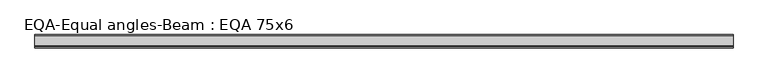
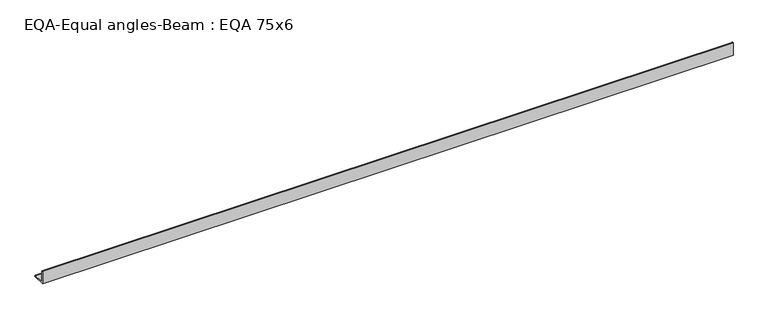
"""IFC4 building model written with IfcOpenShell, lengths in millimetres: beam geometry, EQA-Equal angles-Beam : EQA 75x6."""

import ifcopenshell
import ifcopenshell.guid

model = None  # the IFC model being written
_history = None  # IfcOwnerHistory: only IFC2X3 demands one
_inside = {}  # id of a spatial element -> (the spatial element, [elements in it])
_under = {}  # id of a project, library or spatial element -> (it, [spatial elements below it])
_declared = {}  # id of a project -> (the project, [libraries it declares])
_typed = {}  # id of a type object -> (the type object, [elements of that type])
_made_of = {}  # id of a material, layer set ... -> (it, [elements and type objects made of it])


def new_model(schema):
    """Start an empty IFC model of exactly this schema.

    Asked for "IFC4X3", IfcOpenShell would pick the latest addendum, in which some entities
    have other attributes; the version numbers below select the first issue.
    IFC2X3 requires an IfcOwnerHistory on every rooted entity: one is made here for all.
    """
    global model, _history
    if schema == "IFC4X3":
        model = ifcopenshell.file(schema_version=(4, 3, 0, 0))
    else:
        model = ifcopenshell.file(schema=schema)
    _inside.clear()
    _under.clear()
    _declared.clear()
    _typed.clear()
    _made_of.clear()
    _history = None
    if model.schema == "IFC2X3":
        org = make("IfcOrganization", Name="unknown")
        user = make(
            "IfcPersonAndOrganization",
            ThePerson=make("IfcPerson", FamilyName="unknown"),
            TheOrganization=org,
        )
        app = make(
            "IfcApplication",
            ApplicationDeveloper=org,
            Version="unknown",
            ApplicationFullName="unknown",
            ApplicationIdentifier="unknown",
        )
        _history = make(
            "IfcOwnerHistory",
            OwningUser=user,
            OwningApplication=app,
            ChangeAction="ADDED",
            CreationDate=0,
        )
    return model


def make(cls, **values):
    """One entity of the class cls with the attributes given. An attribute that is None is left unset."""
    return model.create_entity(
        cls, **{name: value for name, value in values.items() if value is not None}
    )


def rooted(cls, **values):
    """An entity with a GlobalId (a new one), such as an element, a storey or a relation."""
    return make(cls, GlobalId=ifcopenshell.guid.new(), OwnerHistory=_history, **values)


def si_unit(unit_type, name, prefix=None):
    """IfcSIUnit, for example si_unit("LENGTHUNIT", "METRE", prefix="MILLI")."""
    return make("IfcSIUnit", UnitType=unit_type, Prefix=prefix, Name=name)


def assignment(units):
    """IfcUnitAssignment: the units of a project."""
    return None if units is None else make("IfcUnitAssignment", Units=units)


def point(xyz):
    """IfcCartesianPoint."""
    return None if xyz is None else make("IfcCartesianPoint", Coordinates=xyz)


def direction(xyz):
    """IfcDirection."""
    return None if xyz is None else make("IfcDirection", DirectionRatios=xyz)


def frame(location, z_axis=None, x_axis=None):
    """IfcAxis2Placement3D, a coordinate frame: its origin and axes. An axis left out is left unset."""
    return make(
        "IfcAxis2Placement3D",
        Location=point(location),
        Axis=direction(z_axis),
        RefDirection=direction(x_axis),
    )


def frame_2d(location, x_axis=None):
    """IfcAxis2Placement2D, a coordinate frame in the plane: its origin and x axis."""
    return make(
        "IfcAxis2Placement2D", Location=point(location), RefDirection=direction(x_axis)
    )


def origin():
    """The frame at (0, 0, 0) with its axes left unset."""
    return frame((0.0, 0.0, 0.0))


def place(relative_to, where):
    """IfcLocalPlacement: puts the frame where relative to a parent placement (None: the world)."""
    return make(
        "IfcLocalPlacement", PlacementRelTo=relative_to, RelativePlacement=where
    )


def context(
    kind, dimensions, precision=None, world=None, true_north=None, identifier=None
):
    """IfcGeometricRepresentationContext, for example the 3D "Model" context."""
    return make(
        "IfcGeometricRepresentationContext",
        ContextIdentifier=identifier,
        ContextType=kind,
        CoordinateSpaceDimension=dimensions,
        Precision=precision,
        WorldCoordinateSystem=world,
        TrueNorth=true_north,
    )


def project(units=None, contexts=None):
    """IfcProject with its units and contexts."""
    return rooted(
        "IfcProject",
        Name="project",
        RepresentationContexts=contexts,
        UnitsInContext=assignment(units),
    )


def spatial(cls, under=None, at=None, **own):
    """A site, building, storey or space (cls), placed at a placement, below another one or the project."""
    s = rooted(cls, ObjectPlacement=at, **own)
    if under is not None:
        _under.setdefault(under.id(), (under, []))[1].append(s)
    return s


def polyline(points):
    """IfcPolyline through the points."""
    return make("IfcPolyline", Points=[point(p) for p in points])


def circle_curve(where, radius):
    """IfcCircle in the frame where."""
    return make("IfcCircle", Position=where, Radius=radius)


def trimmed(basis, trim1, trim2, sense, master):
    """IfcTrimmedCurve: the piece of a basis curve between two trims."""
    return make(
        "IfcTrimmedCurve",
        BasisCurve=basis,
        Trim1=trim1,
        Trim2=trim2,
        SenseAgreement=sense,
        MasterRepresentation=master,
    )


def segment(curve, same_sense, transition):
    """IfcCompositeCurveSegment."""
    return make(
        "IfcCompositeCurveSegment",
        Transition=transition,
        SameSense=same_sense,
        ParentCurve=curve,
    )


def composite_curve(segments, self_intersect=None):
    """IfcCompositeCurve: segments joined end to end."""
    return make("IfcCompositeCurve", Segments=segments, SelfIntersect=self_intersect)


def outline(outer, holes=None, kind="AREA"):
    """IfcArbitraryClosedProfileDef: a profile drawn as a closed curve; with holes, ...WithVoids."""
    if holes is None:
        return make("IfcArbitraryClosedProfileDef", ProfileType=kind, OuterCurve=outer)
    return make(
        "IfcArbitraryProfileDefWithVoids",
        ProfileType=kind,
        OuterCurve=outer,
        InnerCurves=holes,
    )


def extrude(swept, where, along, depth):
    """IfcExtrudedAreaSolid: the profile swept, set in the frame where, extruded along a direction by depth."""
    return make(
        "IfcExtrudedAreaSolid",
        SweptArea=swept,
        Position=where,
        ExtrudedDirection=direction(along),
        Depth=depth,
    )


def shape(context_of_items, identifier, shape_type, items):
    """IfcShapeRepresentation: the items that make up one representation, for example the "Body"."""
    return make(
        "IfcShapeRepresentation",
        ContextOfItems=context_of_items,
        RepresentationIdentifier=identifier,
        RepresentationType=shape_type,
        Items=items,
    )


def source(mapping_origin, context_of_items, identifier, shape_type, items):
    """IfcRepresentationMap: a shape defined once, which mapped items show again and again."""
    return make(
        "IfcRepresentationMap",
        MappingOrigin=mapping_origin,
        MappedRepresentation=shape(context_of_items, identifier, shape_type, items),
    )


def transform(
    local_origin,
    x_axis=None,
    y_axis=None,
    z_axis=None,
    scale=None,
    scale2=None,
    scale3=None,
    uniform=True,
):
    """IfcCartesianTransformationOperator3D, or its non-uniform kind. x_axis, y_axis, z_axis: its Axis1, 2, 3."""
    if uniform:
        return make(
            "IfcCartesianTransformationOperator3D",
            Axis1=direction(x_axis),
            Axis2=direction(y_axis),
            LocalOrigin=point(local_origin),
            Scale=scale,
            Axis3=direction(z_axis),
        )
    return make(
        "IfcCartesianTransformationOperator3DnonUniform",
        Axis1=direction(x_axis),
        Axis2=direction(y_axis),
        LocalOrigin=point(local_origin),
        Scale=scale,
        Axis3=direction(z_axis),
        Scale2=scale2,
        Scale3=scale3,
    )


def mapped(mapping_source, mapping_target):
    """IfcMappedItem: shows the shape of a source again, moved by a transform."""
    return make(
        "IfcMappedItem", MappingSource=mapping_source, MappingTarget=mapping_target
    )


def made_of(thing, what):
    """Note that an element or type object is made of a material, layer set ...; save() writes the relation."""
    if what is not None:
        _made_of.setdefault(what.id(), (what, []))[1].append(thing)
    return thing


def element(
    cls,
    number,
    at=None,
    inside=None,
    cuts=None,
    type_object=None,
    material=None,
    context=None,
    identifier="Body",
    shape_type=None,
    held_by="IfcProductDefinitionShape",
    body=None,
    shapes=None,
    **own,
):
    """One element of the class cls, such as IfcWall. Its Tag is "e" and its number.

    at: its placement. inside: the storey or other place that contains it. cuts: it is an
    opening in that element (IfcRelVoidsElement). A single representation is given by context,
    identifier, shape_type and body (its items); several are given by shapes. held_by: the class
    of the entity that holds the representations. save() writes the other relations.
    """
    e = rooted(cls, Tag="e%d" % number, ObjectPlacement=at, **own)
    if body is not None:
        shapes = [shape(context, identifier, shape_type, body)]
    if shapes is not None:
        e.Representation = make(held_by, Representations=shapes)
    if inside is not None:
        _inside.setdefault(inside.id(), (inside, []))[1].append(e)
    if cuts is not None:
        rooted(
            "IfcRelVoidsElement", RelatingBuildingElement=cuts, RelatedOpeningElement=e
        )
    if type_object is not None:
        _typed.setdefault(type_object.id(), (type_object, []))[1].append(e)
    return made_of(e, material)


def aggregate(whole, parts):
    """IfcRelAggregates: a whole, such as a stair, and the parts it consists of."""
    return rooted("IfcRelAggregates", RelatingObject=whole, RelatedObjects=parts)


def save(model, path):
    """Write the relations noted so far, then the file.

    IfcRelAggregates (storeys below a building ...), IfcRelContainedInSpatialStructure (elements
    in a storey), IfcRelDefinesByType, IfcRelAssociatesMaterial and IfcRelDeclares: one each for
    every whole, place, type object, material and project.
    """
    for whole, parts in _under.values():
        aggregate(whole, parts)
    for where, things in _inside.values():
        rooted(
            "IfcRelContainedInSpatialStructure",
            RelatedElements=things,
            RelatingStructure=where,
        )
    for kind, things in _typed.values():
        rooted("IfcRelDefinesByType", RelatedObjects=things, RelatingType=kind)
    for what, things in _made_of.values():
        rooted("IfcRelAssociatesMaterial", RelatedObjects=things, RelatingMaterial=what)
    for by, libraries in _declared.values():
        rooted("IfcRelDeclares", RelatingContext=by, RelatedDefinitions=libraries)
    model.write(path)


def eqa_equal_angles_beam_eqa_75x6_7eddfd38(model_context):
    return source(origin(), model_context, "Body", "SweptSolid", [
        extrude(outline(composite_curve([segment(polyline([(-20.5, -20.5), (-20.5, 54.5), (-19.0, 54.5)]), True, "CONTINUOUS"), segment(trimmed(circle_curve(frame_2d((-19.0, 50.0)), 4.5), [point((-19.0, 54.5))], [point((-14.5, 50.0))], False, "CARTESIAN"), True, "CONTINUOUS"), segment(polyline([(-14.5, 50.0), (-14.5, -5.5)]), True, "CONTINUOUS"), segment(trimmed(circle_curve(frame_2d((-5.5, -5.5)), 9.0), [point((-14.5, -5.5))], [point((-5.5, -14.5))], True, "CARTESIAN"), True, "CONTINUOUS"), segment(polyline([(-5.5, -14.5), (50.0, -14.5)]), True, "CONTINUOUS"), segment(trimmed(circle_curve(frame_2d((50.0, -19.0)), 4.5), [point((50.0, -14.5))], [point((54.5, -19.0))], False, "CARTESIAN"), True, "CONTINUOUS"), segment(polyline([(54.5, -19.0), (54.5, -20.5), (-20.5, -20.5)]), True, "CONTINUOUS")], self_intersect=False)), frame((-2060.2464267, 0.0, 0.0), z_axis=(1.0, 0.0, 0.0), x_axis=(0.0, 1.0, 0.0)), (0.0, 0.0, 1.0), 3897.7292965),
    ])


if __name__ == "__main__":
    model = new_model("IFC4")
    model_context = context("Model", 3, world=origin())
    ifc_project = project(units=[si_unit("LENGTHUNIT", "METRE", prefix="MILLI")], contexts=[model_context])
    site = spatial("IfcSite", under=ifc_project)
    building = spatial("IfcBuilding", under=site)
    placement = place(None, origin())
    eqa_equal_angles_beam_eqa_75x6_shape = eqa_equal_angles_beam_eqa_75x6_7eddfd38(model_context)
    element("IfcBeam", 1, ObjectType="EQA-Equal angles-Beam : EQA 75x6", at=placement, inside=building, context=model_context, shape_type="MappedRepresentation", body=[
        mapped(eqa_equal_angles_beam_eqa_75x6_shape, transform((0.0, 0.0, 0.0), x_axis=(1.0, 0.0, 0.0), y_axis=(0.0, 1.0, 0.0), z_axis=(0.0, 0.0, 1.0))),
    ])
    save(model, "model.ifc")
